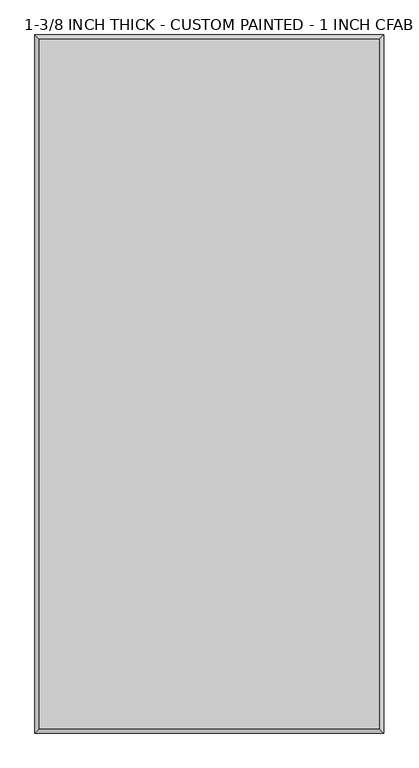
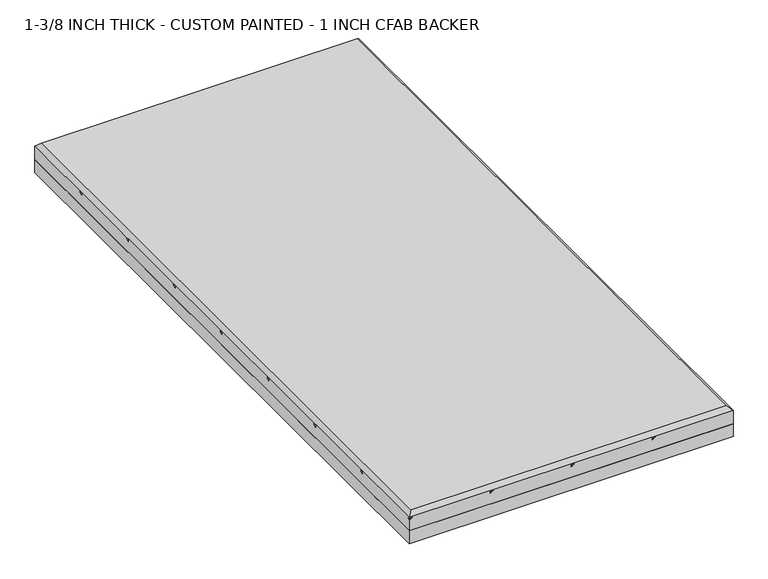
"""IFC4 building model written with IfcOpenShell, lengths in millimetres: proxy geometry, 1-3/8 INCH THICK - CUSTOM PAINTED - 1 INCH CFAB BACKER."""

from ifc_helpers import new_model, si_unit, frame, origin, place, context, project, spatial, polyline, outline, extrude, faceted_brep, source, transform, mapped, element, save


def proxy_1_3_8_inch_thick_custom_painted_1_inch_cfab_backer_0f2498ba(model_context):
    return source(origin(), model_context, "Body", "SolidModel", [
        extrude(outline(polyline([(-304.8, 609.6), (304.8, 609.6), (304.8, -609.6), (-304.8, -609.6), (-304.8, 609.6)])), frame((0.0, 0.0, -25.4), z_axis=(0.0, 0.0, 1.0), x_axis=(1.0, 0.0, 0.0)), (0.0, 0.0, 1.0), 25.4),
        faceted_brep([(296.799, 601.599, 34.925), (-296.799, 601.599, 34.925), (-296.799, -601.599, 34.925), (296.799, -601.599, 34.925), (-304.8, 609.6, 0.0), (304.8, 609.6, 0.0), (304.8, -609.6, 0.0), (-304.8, -609.6, 0.0), (-304.8, -609.6, 21.3995), (-304.8, -603.9424386, 25.4), (-304.8, -609.6, 25.4), (-304.8, -609.6, 26.924), (-304.8, 609.6, 26.924), (-304.8, 457.1995174, 25.4), (-304.8, 457.1995174, 21.3995), (-304.8, 462.8580948, 25.4), (-304.8, 304.8000254, 25.4), (-304.8, 304.8000254, 21.3995), (-304.8, 310.4575868, 25.4), (-304.8, 152.4000254, 25.4), (-304.8, 152.4000254, 21.3995), (-304.8, 158.0575836, 25.4), (-304.8, 5.08e-05, 25.4), (-304.8, 5.08e-05, 21.3995), (-304.8, 5.6575614, 25.4), (-304.8, -152.3999746, 25.4), (-304.8, -152.3999746, 21.3995), (-304.8, -146.7424132, 25.4), (-304.8, -304.7999746, 25.4), (-304.8, -304.7999746, 21.3995), (-304.8, -299.1424132, 25.4), (-304.8, -457.1999746, 25.4), (-304.8, -457.1999746, 21.3995), (-304.8, -451.5424132, 25.4), (304.8, -609.6, 26.924), (-299.1424386, -609.6, 25.4), (-152.4010414, -609.6, 21.3995), (-152.4010414, -609.6, 25.4), (-146.742464, -609.6, 25.4), (0.0, -609.6, 21.3995), (0.0, -609.6, 25.4), (5.6575611, -609.6, 25.4), (152.4004826, -609.6, 21.3995), (152.4004826, -609.6, 25.4), (158.0580345, -609.6, 25.4), (304.8, 609.6, 21.3995), (304.8, 603.9424386, 25.4), (304.8, 609.6, 25.4), (304.8, 609.6, 26.924), (304.8, 457.2000254, 25.4), (304.8, 457.2000254, 21.3995), (304.8, 451.542464, 25.4), (304.8, 304.8000254, 25.4), (304.8, 304.8000254, 21.3995), (304.8, 299.142464, 25.4), (304.8, 152.4000254, 25.4), (304.8, 152.4000254, 21.3995), (304.8, 146.742464, 25.4), (304.8, 0.0, 25.4), (304.8, 0.0, 21.3995), (304.8, -5.6575614, 25.4), (304.8, -152.3999746, 25.4), (304.8, -152.3999746, 21.3995), (304.8, -158.057536, 25.4), (304.8, -304.7999746, 25.4), (304.8, -304.7999746, 21.3995), (304.8, -310.4575362, 25.4), (304.8, -457.1999746, 25.4), (304.8, -457.1999746, 21.3995), (304.8, -462.8575454, 25.4), (299.1424386, 609.6, 25.4), (-152.4005334, 609.6, 21.3995), (-152.4005334, 609.6, 25.4), (-158.0580948, 609.6, 25.4), (-2.54e-05, 609.6, 21.3995), (-2.54e-05, 609.6, 25.4), (-5.6575868, 609.6, 25.4), (152.4004826, 609.6, 21.3995), (152.4004826, 609.6, 25.4), (146.7429181, 609.6, 25.4), (-149.5717527, 606.7712193, 25.4), (-301.9717273, 454.3712447, 25.4), (2.8287553, 606.7712193, 25.4), (-301.9712193, 301.9712447, 25.4), (155.2292617, 606.7712178, 25.4), (-301.9712209, 149.5712432, 25.4), (-301.9711939, -2.8287553, 25.4), (301.9712193, 460.0288061, 25.4), (-301.9712193, -155.2287553, 25.4), (301.9712193, 307.6288061, 25.4), (-301.9712193, -307.6287553, 25.4), (301.9712193, 155.2288061, 25.4), (-301.9712193, -460.0287553, 25.4), (301.9712193, 2.8287807, 25.4), (301.9712193, -149.5711939, 25.4), (-155.2293141, -606.7717273, 25.4), (301.9712192, -301.971194, 25.4), (-2.8287808, -606.7712194, 25.4), (301.9712146, -454.3711986, 25.4), (149.5716972, -606.771224, 25.4)], [[[0, 1, 2, 3]], [[4, 5, 6, 7]], [[4, 7, 8, 9, 10, 11, 12], [13, 14, 15], [16, 17, 18], [19, 20, 21], [22, 23, 24], [25, 26, 27], [28, 29, 30], [31, 32, 33]], [[7, 6, 34, 11, 10, 35, 8], [36, 37, 38], [39, 40, 41], [42, 43, 44]], [[6, 5, 45, 46, 47, 48, 34], [49, 50, 51], [52, 53, 54], [55, 56, 57], [58, 59, 60], [61, 62, 63], [64, 65, 66], [67, 68, 69]], [[5, 4, 12, 48, 47, 70, 45], [71, 72, 73], [74, 75, 76], [77, 78, 79]], [[12, 1, 0, 48]], [[1, 12, 11, 2]], [[2, 11, 34, 3]], [[48, 0, 3, 34]], [[14, 71, 73, 15]], [[80, 71, 14, 81]], [[17, 74, 76, 18]], [[82, 74, 17, 83]], [[20, 77, 79, 21]], [[84, 77, 20, 85]], [[23, 45, 70, 24]], [[23, 86, 46, 45]], [[50, 87, 27, 26]], [[26, 88, 51, 50]], [[53, 89, 30, 29]], [[29, 90, 54, 53]], [[56, 91, 33, 32]], [[32, 92, 57, 56]], [[59, 93, 9, 8]], [[59, 8, 35, 60]], [[62, 94, 95, 36]], [[62, 36, 38, 63]], [[65, 96, 97, 39]], [[65, 39, 41, 66]], [[68, 98, 99, 42]], [[68, 42, 44, 69]], [[71, 80, 72]], [[81, 14, 13]], [[80, 81, 13, 15, 73, 72]], [[74, 82, 75]], [[83, 17, 16]], [[82, 83, 16, 18, 76, 75]], [[77, 84, 78]], [[85, 20, 19]], [[84, 85, 19, 21, 79, 78]], [[86, 23, 22]], [[86, 22, 24, 70, 47, 46]], [[87, 50, 49]], [[88, 26, 25]], [[87, 49, 51, 88, 25, 27]], [[89, 53, 52]], [[90, 29, 28]], [[89, 52, 54, 90, 28, 30]], [[91, 56, 55]], [[92, 32, 31]], [[91, 55, 57, 92, 31, 33]], [[93, 59, 58]], [[93, 58, 60, 35, 10, 9]], [[94, 62, 61]], [[36, 95, 37]], [[95, 94, 61, 63, 38, 37]], [[96, 65, 64]], [[39, 97, 40]], [[97, 96, 64, 66, 41, 40]], [[98, 68, 67]], [[42, 99, 43]], [[99, 98, 67, 69, 44, 43]]]),
    ])


if __name__ == "__main__":
    model = new_model("IFC4")
    model_context = context("Model", 3, world=origin())
    ifc_project = project(units=[si_unit("LENGTHUNIT", "METRE", prefix="MILLI")], contexts=[model_context])
    site = spatial("IfcSite", under=ifc_project)
    building = spatial("IfcBuilding", under=site)
    placement = place(None, origin())
    proxy_1_3_8_inch_thick_custom_painted_1_inch_cfab_backer_shape = proxy_1_3_8_inch_thick_custom_painted_1_inch_cfab_backer_0f2498ba(model_context)
    element("IfcBuildingElementProxy", 1, Name="1-3/8 INCH THICK - CUSTOM PAINTED - 1 INCH CFAB BACKER", ObjectType="1-3/8 INCH THICK - CUSTOM PAINTED - 1 INCH CFAB BACKER", at=placement, inside=building, context=model_context, shape_type="MappedRepresentation", body=[
        mapped(proxy_1_3_8_inch_thick_custom_painted_1_inch_cfab_backer_shape, transform((0.0, 0.0, 0.0), x_axis=(1.0, 0.0, 0.0), y_axis=(0.0, 1.0, 0.0), z_axis=(0.0, 0.0, 1.0))),
    ])
    save(model, "model.ifc")
